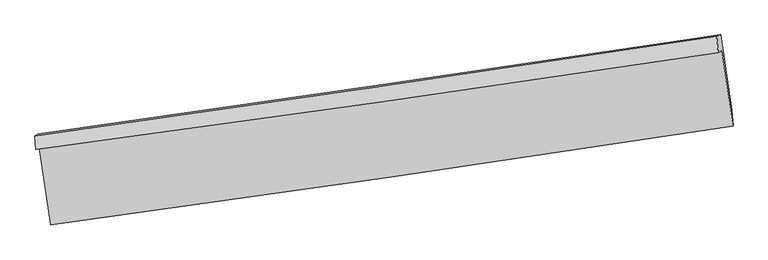
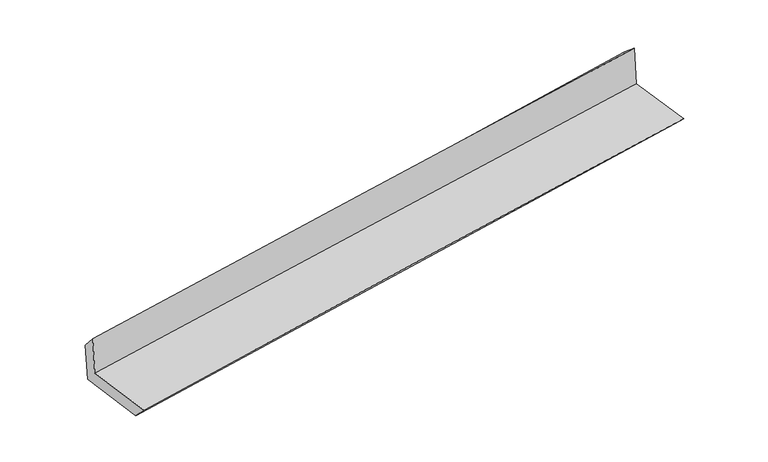
"""IFC4 building model written with IfcOpenShell, lengths in millimetres: proxy geometry."""

from ifc_helpers import new_model, si_unit, frame, origin, place, context, project, spatial, source, transform, mapped, element, save
from ifc_brep_helpers import plane_surface, spline_curve, spline_surface, advanced_brep


def generic_models_1bfbc2ac(model_context):
    return source(origin(), model_context, "Body", "AdvancedBrep", [
        advanced_brep(
        [(-3001.9022395, -1907.6144661, 1653.6512537), (-2899.1334787, -2583.0661652, 1634.0484355), (3047.7364376, -1720.5996997, 2136.588095), (2948.5136126, -1062.0949602, 2144.2300359), (-3031.8100623, -1925.9538344, 2040.7382307), (2917.3900977, -1081.4705235, 2547.5672575), (-3037.8378429, -1807.3418948, 1901.7038052), (2905.5414238, -933.9296028, 2426.1986597), (-3008.1728822, -1791.8232977, 1522.5016174), (2938.3144853, -924.2841221, 2020.5740818), (-2906.2683211, -2461.5950109, 1503.0636425), (3038.1235166, -1580.2828835, 2001.5358226)],
        [
            (0, 1),
            (1, 2, spline_curve(3, [(-2899.1334787, -2583.0661652, 1634.0484355), (-1907.879660193, -2447.765164737, 1731.284552169), (-916.671479669, -2308.241111118, 1821.781537809), (1065.618489177, -2020.751990297, 1989.294280334), (2056.700280729, -1872.787222083, 2066.310514168), (3047.7364376, -1720.5996997, 2136.588095)], [4, 2, 4], [0.0, 9.892359022395203, 19.784367568456982])),
            (2, 3),
            (3, 0, spline_curve(3, [(2948.5136126, -1062.0949602, 2144.2300359), (1957.190524502, -1211.950992882, 2073.216379831), (965.669780198, -1357.337798902, 1996.828806019), (-1017.802156228, -1639.177951243, 1833.302926151), (-2009.753362987, -1775.630980349, 1746.164239153), (-3001.9022395, -1907.6144661, 1653.6512537)], [4, 2, 4], [0.0, 9.89200854606178, 19.784367568456982])),
            (4, 0),
            (3, 5),
            (5, 4, spline_curve(3, [(2917.3900977, -1081.4705235, 2547.5672575), (1926.15057398, -1231.129947227, 2475.214082521), (934.772917001, -1376.332100347, 2396.802598081), (-1048.293793453, -1657.826853479, 2227.860018734), (-2039.982856216, -1794.119137068, 2137.328493694), (-3031.8100623, -1925.9538344, 2040.7382307)], [4, 2, 4], [0.0, 9.892092192796717, 19.78453486489048])),
            (6, 4),
            (5, 7),
            (7, 6, spline_curve(3, [(2905.5414238, -933.9296028, 2426.1986597), (1915.220916209, -1084.775723266, 2345.056959443), (924.787832724, -1232.981898703, 2260.779034711), (-1056.338581804, -1524.119516745, 2085.947638584), (-2047.031920402, -1667.050771914, 1995.39394522), (-3037.8378429, -1807.3418948, 1901.7038052)], [4, 2, 4], [0.0, 9.89187932580826, 19.784109123371636])),
            (8, 6),
            (7, 9),
            (9, 8, spline_curve(3, [(2938.3144853, -924.2841221, 2020.5740818), (1947.478942155, -1071.650167907, 1939.362063523), (956.529337003, -1217.626866219, 1857.250767018), (-1025.633110837, -1506.806689546, 1691.226675697), (-2016.845961509, -1650.009716891, 1607.313817806), (-3008.1728822, -1791.8232977, 1522.5016174)], [4, 2, 4], [0.0, 9.8916681115124, 19.78368668729654])),
            (10, 8),
            (9, 11),
            (11, 10, spline_curve(3, [(3038.1235166, -1580.2828835, 2001.5358226), (2047.333381297, -1727.947374838, 1920.315142806), (1056.581101889, -1875.221004087, 1838.166207063), (-924.882846748, -2168.991740606, 1672.008879492), (-1915.594513087, -2315.488821113, 1588.000421999), (-2906.2683211, -2461.5950109, 1503.0636425)], [4, 2, 4], [0.0, 9.891598607112206, 19.783547676033596])),
            (1, 10),
            (11, 2),
        ],
        [
            spline_surface(3, 3, [[(-3001.9022395, -1907.6144661, 1653.6512537), (-2009.753363046, -1775.630980201, 1746.164239153), (-1017.802156358, -1639.177951078, 1833.302926127), (965.669780328, -1357.337799067, 1996.828806042), (1957.190524356, -1211.950992918, 2073.216379828), (2948.5136126, -1062.0949602, 2144.2300359)], [(-2967.645985925, -2132.765032461, 1647.116980948), (-1975.795462106, -1999.675708414, 1741.204343474), (-984.091930798, -1862.199004456, 1829.462463406), (998.986016616, -1578.47586276, 1994.317297462), (1990.360443162, -1432.229735941, 2070.914424667), (2981.587887588, -1281.596540044, 2141.682722278)], [(-2933.389732275, -2357.915598839, 1640.582708252), (-1941.837561091, -2223.720436642, 1736.244447851), (-950.381705242, -2085.220057862, 1825.622000624), (1032.302252901, -1799.613926482, 1991.805788821), (2023.530362003, -1652.508478933, 2068.61246947), (3014.662162612, -1501.098119856, 2139.135408622)], [(-2899.1334787, -2583.0661652, 1634.0484355), (-1907.879660151, -2447.765164855, 1731.284552173), (-916.671479682, -2308.24111124, 1821.781537903), (1065.61848919, -2020.751990176, 1989.294280241), (2056.70028081, -1872.787221955, 2066.310514309), (3047.7364376, -1720.5996997, 2136.588095)]], [4, 4], [4, 2, 4], [0.0, 2.210792261755494], [0.0, 9.892359022395203, 19.784367568456982]),
            spline_surface(3, 3, [[(-3031.8100623, -1925.9538344, 2040.7382307), (-2039.982856295, -1794.119136907, 2137.328493856), (-1048.293793319, -1657.826853324, 2227.86001859), (934.772916867, -1376.332100502, 2396.802598224), (1926.150573942, -1231.129947129, 2475.214082416), (2917.3900977, -1081.4705235, 2547.5672575)], [(-3021.840788031, -1919.840711639, 1911.709238369), (-2029.906358543, -1787.956418011, 2006.940408957), (-1038.129914352, -1651.610552585, 2096.340987768), (945.071871334, -1370.000666699, 2263.478000829), (1936.497224101, -1224.736962389, 2341.214848206), (2927.764602687, -1075.012002397, 2413.121516952)], [(-3011.871513769, -1913.727588861, 1782.680246031), (-2019.829860798, -1781.793699097, 1876.552324052), (-1027.966035326, -1645.394251818, 1964.821956949), (955.37082586, -1363.669232869, 2130.153403437), (1946.843874197, -1218.343977659, 2207.215614038), (2938.139107613, -1068.553481303, 2278.675776448)], [(-3001.9022395, -1907.6144661, 1653.6512537), (-2009.753363046, -1775.630980201, 1746.164239153), (-1017.802156358, -1639.177951078, 1833.302926127), (965.669780328, -1357.337799067, 1996.828806042), (1957.190524356, -1211.950992918, 2073.216379828), (2948.5136126, -1062.0949602, 2144.2300359)]], [4, 4], [4, 2, 4], [0.0, 1.3087062025615455], [0.0, 9.892442672093765, 19.78453486489048]),
            spline_surface(3, 3, [[(-3037.8378429, -1807.3418948, 1901.7038052), (-2047.031920384, -1667.050771829, 1995.39394537), (-1056.338581662, -1524.119516592, 2085.947638687), (924.787832582, -1232.981898856, 2260.779034608), (1915.220916118, -1084.775723423, 2345.056959472), (2905.5414238, -933.9296028, 2426.1986597)], [(-3035.828582703, -1846.879208003, 1948.048613708), (-2044.682232358, -1709.406893524, 2042.70546154), (-1053.656985528, -1568.688628845, 2133.251765304), (928.11619403, -1280.765299414, 2306.120222462), (1918.864135376, -1133.560464654, 2388.442667139), (2909.49098175, -983.109909696, 2466.654858985)], [(-3033.819322497, -1886.416521197, 1994.393422192), (-2042.332544321, -1751.763015212, 2090.016977686), (-1050.975389453, -1613.257741071, 2180.555891973), (931.444555419, -1328.548699944, 2351.46141037), (1922.507354684, -1182.345205898, 2431.82837475), (2913.44053975, -1032.290216604, 2507.111058215)], [(-3031.8100623, -1925.9538344, 2040.7382307), (-2039.982856295, -1794.119136907, 2137.328493856), (-1048.293793319, -1657.826853324, 2227.86001859), (934.772916867, -1376.332100502, 2396.802598224), (1926.150573942, -1231.129947129, 2475.214082416), (2917.3900977, -1081.4705235, 2547.5672575)]], [4, 4], [4, 2, 4], [0.0, 0.6444455452023725], [0.0, 9.892229797563376, 19.784109123371636]),
            spline_surface(3, 3, [[(-3008.1728822, -1791.8232977, 1522.5016174), (-2016.845961478, -1650.009716825, 1607.313817661), (-1025.633110798, -1506.806689707, 1691.226675819), (956.529336965, -1217.626866059, 1857.250766895), (1947.478942094, -1071.650167969, 1939.362063537), (2938.3144853, -924.2841221, 2020.5740818)], [(-3018.061202419, -1796.996163417, 1648.902346674), (-2026.907947765, -1655.69006851, 1736.673860239), (-1035.868267776, -1512.577631979, 1822.80033012), (945.948835481, -1222.745210301, 1991.760189478), (1936.726266758, -1076.025353136, 2074.593695516), (2927.390131456, -927.499282348, 2155.782274434)], [(-3027.949522681, -1802.169029083, 1775.303075926), (-2036.969934096, -1661.370420144, 1866.033902793), (-1046.103424684, -1518.34857432, 1954.373984386), (935.368334066, -1227.863554613, 2126.269612025), (1925.973591454, -1080.400538257, 2209.825327493), (2916.465777644, -930.714442552, 2290.990467066)], [(-3037.8378429, -1807.3418948, 1901.7038052), (-2047.031920384, -1667.050771829, 1995.39394537), (-1056.338581662, -1524.119516592, 2085.947638687), (924.787832582, -1232.981898856, 2260.779034608), (1915.220916118, -1084.775723423, 2345.056959472), (2905.5414238, -933.9296028, 2426.1986597)]], [4, 4], [4, 2, 4], [0.0, 1.314557001118719], [0.0, 9.89201857578414, 19.78368668729654]),
            spline_surface(3, 3, [[(-2906.2683211, -2461.5950109, 1503.0636425), (-1915.594513124, -2315.488820955, 1588.000421966), (-924.882846722, -2168.991740756, 1672.008879477), (1056.581101862, -1875.221003937, 1838.166207077), (2047.333381356, -1727.94737498, 1920.315142911), (3038.1235166, -1580.2828835, 2001.5358226)], [(-2940.236508131, -2238.337773169, 1509.542967463), (-1949.344995906, -2093.662452914, 1594.438220528), (-958.466268083, -1948.263390435, 1678.414811598), (1023.230513561, -1656.022958006, 1844.527727023), (2014.048568282, -1509.181639305, 1926.664116439), (3004.853839513, -1361.616629695, 2007.881908986)], [(-2974.204695169, -2015.080535431, 1516.022292437), (-1983.095478696, -1871.836084866, 1600.8760191), (-992.049689437, -1727.535040028, 1684.820743699), (989.879925267, -1436.82491199, 1850.889246949), (1980.763755168, -1290.415903645, 1933.013090009), (2971.584162387, -1142.950375905, 2014.227995414)], [(-3008.1728822, -1791.8232977, 1522.5016174), (-2016.845961478, -1650.009716825, 1607.313817661), (-1025.633110798, -1506.806689707, 1691.226675819), (956.529336965, -1217.626866059, 1857.250766895), (1947.478942094, -1071.650167969, 1939.362063537), (2938.3144853, -924.2841221, 2020.5740818)]], [4, 4], [4, 2, 4], [0.0, 2.1908089817615766], [0.0, 9.89194906892139, 19.783547676033596]),
            spline_surface(3, 3, [[(-2899.1334787, -2583.0661652, 1634.0484355), (-1907.879660151, -2447.765164855, 1731.284552173), (-916.671479682, -2308.24111124, 1821.781537903), (1065.61848919, -2020.751990176, 1989.294280241), (2056.70028081, -1872.787221955, 2066.310514309), (3047.7364376, -1720.5996997, 2136.588095)], [(-2901.511759492, -2542.57578041, 1590.386837837), (-1910.4512778, -2403.673050199, 1683.523175441), (-919.408602004, -2261.824654398, 1771.857318408), (1062.606026772, -1972.241661415, 1938.918255833), (2053.577980997, -1824.507272951, 2017.645390507), (3044.532130605, -1673.827427621, 2091.570670864)], [(-2903.890040308, -2502.08539569, 1546.725240163), (-1913.022895475, -2359.580935612, 1635.761798698), (-922.1457244, -2215.408197598, 1721.933098972), (1059.59356428, -1923.731332697, 1888.542231485), (2050.45568117, -1776.227323985, 1968.980266712), (3041.327823595, -1627.055155579, 2046.553246736)], [(-2906.2683211, -2461.5950109, 1503.0636425), (-1915.594513124, -2315.488820955, 1588.000421966), (-924.882846722, -2168.991740756, 1672.008879477), (1056.581101862, -1875.221003937, 1838.166207077), (2047.333381356, -1727.94737498, 1920.315142911), (3038.1235166, -1580.2828835, 2001.5358226)]], [4, 4], [4, 2, 4], [0.0, 0.6802077315787601], [0.0, 9.892049126097017, 19.78374778683993]),
            plane_surface(frame((2965.9365956, -1217.1102986, 2212.7823254), z_axis=(0.9855560371791815, 0.14753776805425906, 0.0831378648825889), x_axis=(-0.08051148678191351, -0.023695436410005963, 0.9964719899673574))),
            plane_surface(frame((-2980.8541378, -2079.5657782, 1709.2844975), z_axis=(-0.9855560371792029, -0.14753776805410662, -0.08313786488260547), x_axis=(-0.15035527843476076, 0.988215947801932, 0.028679797013488082))),
        ],
        [
            (0, [[1, 2, 3, 4]]),
            (1, [[5, -4, 6, 7]]),
            (2, [[8, -7, 9, 10]]),
            (3, [[11, -10, 12, 13]]),
            (4, [[14, -13, 15, 16]]),
            (5, [[17, -16, 18, -2]]),
            (6, [[-12, -9, -6, -3, -18, -15]]),
            (7, [[-1, -5, -8, -11, -14, -17]]),
        ],
    ),
    ])


if __name__ == "__main__":
    model = new_model("IFC4")
    model_context = context("Model", 3, world=origin())
    ifc_project = project(units=[si_unit("LENGTHUNIT", "METRE", prefix="MILLI")], contexts=[model_context])
    site = spatial("IfcSite", under=ifc_project)
    building = spatial("IfcBuilding", under=site)
    placement = place(None, origin())
    generic_models_shape = generic_models_1bfbc2ac(model_context)
    element("IfcBuildingElementProxy", 1, Name="Generic Models", at=placement, inside=building, context=model_context, shape_type="MappedRepresentation", body=[
        mapped(generic_models_shape, transform((0.0, 0.0, 0.0), x_axis=(1.0, 0.0, 0.0), y_axis=(0.0, 1.0, 0.0), z_axis=(0.0, 0.0, 1.0))),
    ])
    save(model, "model.ifc")
